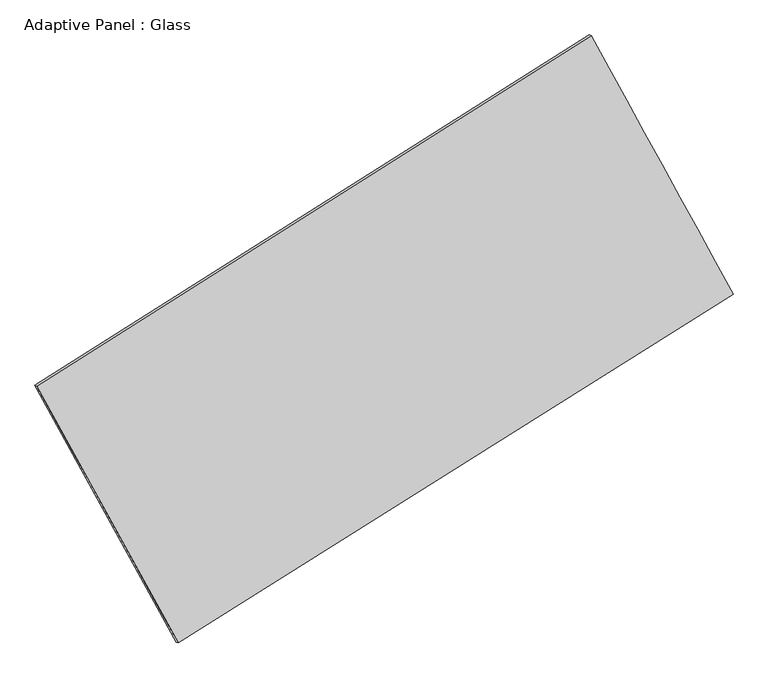
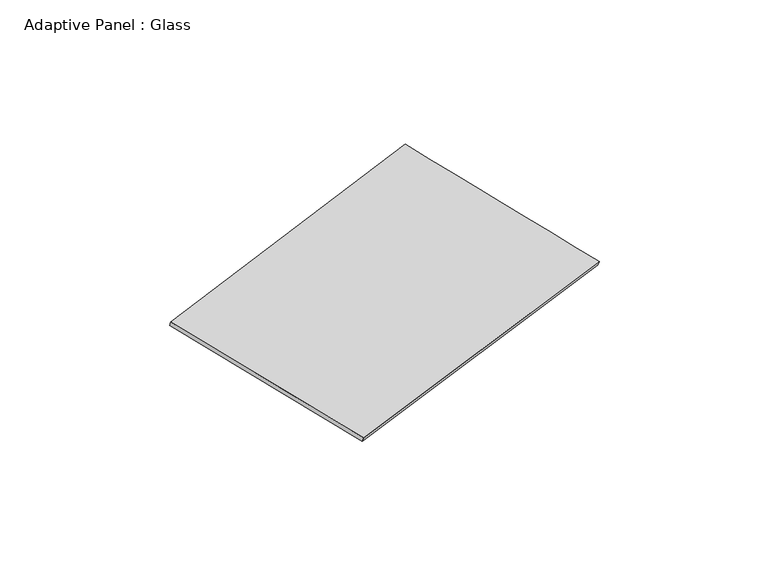
"""IFC4 building model written with IfcOpenShell, lengths in millimetres: plate geometry, Adaptive Panel : Glass."""

from ifc_helpers import new_model, si_unit, frame, origin, place, context, project, spatial, source, transform, mapped, element, save
from ifc_brep_helpers import plane_surface, spline_surface, advanced_brep


def adaptive_panel_glass_ebfe398f(model_context):
    return source(origin(), model_context, "Body", "AdvancedBrep", [
        advanced_brep(
        [(1167.7147373, 2579.7537624, 671.6935178), (-3719.2906081, -509.126382, 1763.6424823), (-3704.6242522, -515.5064755, 1811.0153903), (1182.3810932, 2573.3736689, 719.0664258), (-2471.8606857, -2772.9318423, 1077.6104115), (-2457.1943298, -2779.3119358, 1124.9833195), (2420.1459782, 302.0558891, -27.8238914), (2434.8123341, 295.6757956, 19.5490166)],
        [
            (0, 1),
            (1, 2),
            (2, 3),
            (3, 0),
            (1, 4),
            (4, 5),
            (5, 2),
            (4, 6),
            (6, 7),
            (7, 5),
            (6, 0),
            (3, 7),
        ],
        [
            plane_surface(frame((-1275.7879354, 1035.3136902, 1217.6680001), z_axis=(-0.47373491956988034, 0.8414170200592721, 0.2599858156413416), x_axis=(-0.8306195528678045, -0.525001317384867, 0.1855930363398442))),
            plane_surface(frame((-3095.5756469, -1641.0291122, 1420.6264469), z_axis=(-0.8347818796755758, -0.5172026094449083, 0.18878737814983884), x_axis=(0.46646222047504043, -0.8465242838825217, -0.256533884051754))),
            plane_surface(frame((-25.8573537, -1235.4379766, 524.8932601), z_axis=(0.471253557523238, -0.8429810620051689, -0.2594282436866311), x_axis=(0.8315547711279354, 0.5226936296113648, -0.1879043165498453))),
            plane_surface(frame((1793.9303578, 1440.9048257, 321.9348132), z_axis=(0.8348622389640542, 0.5170566202391798, -0.18883191843214253), x_axis=(-0.4652755539940303, 0.8461599369382656, 0.2598692363019883))),
            spline_surface(1, 1, [[(-3704.6242522, -515.5064755, 1811.0153903), (1182.3810932, 2573.3736689, 719.0664258)], [(-2457.1943298, -2779.3119358, 1124.9833195), (2434.8123341, 295.6757956, 19.5490166)]], [2, 2], [2, 2], [0.0, 1.0], [0.0, 1.0]),
            spline_surface(1, 1, [[(2420.1459782, 302.0558891, -27.8238914), (1167.7147373, 2579.7537624, 671.6935178)], [(-2471.8606857, -2772.9318423, 1077.6104115), (-3719.2906081, -509.126382, 1763.6424823)]], [2, 2], [2, 2], [0.0, 1.0], [0.0, 1.0]),
        ],
        [
            (0, [[1, 2, 3, 4]]),
            (1, [[5, 6, 7, -2]]),
            (2, [[8, 9, 10, -6]]),
            (3, [[11, -4, 12, -9]]),
            (4, [[-3, -7, -10, -12]]),
            (5, [[-11, -8, -5, -1]]),
        ],
    ),
    ])


if __name__ == "__main__":
    model = new_model("IFC4")
    model_context = context("Model", 3, world=origin())
    ifc_project = project(units=[si_unit("LENGTHUNIT", "METRE", prefix="MILLI")], contexts=[model_context])
    site = spatial("IfcSite", under=ifc_project)
    building = spatial("IfcBuilding", under=site)
    placement = place(None, origin())
    adaptive_panel_glass_shape = adaptive_panel_glass_ebfe398f(model_context)
    element("IfcPlate", 1, ObjectType="Adaptive Panel : Glass", at=placement, inside=building, context=model_context, shape_type="MappedRepresentation", body=[
        mapped(adaptive_panel_glass_shape, transform((0.0, 0.0, 0.0), x_axis=(1.0, 0.0, 0.0), y_axis=(0.0, 1.0, 0.0), z_axis=(0.0, 0.0, 1.0))),
    ])
    save(model, "model.ifc")
